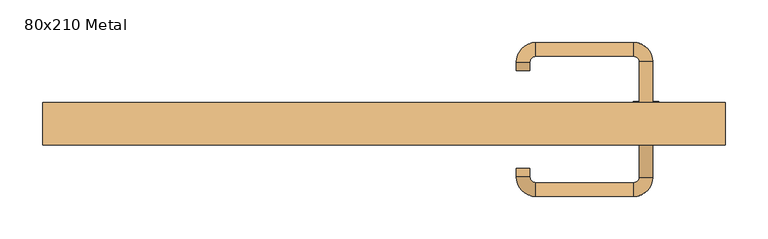
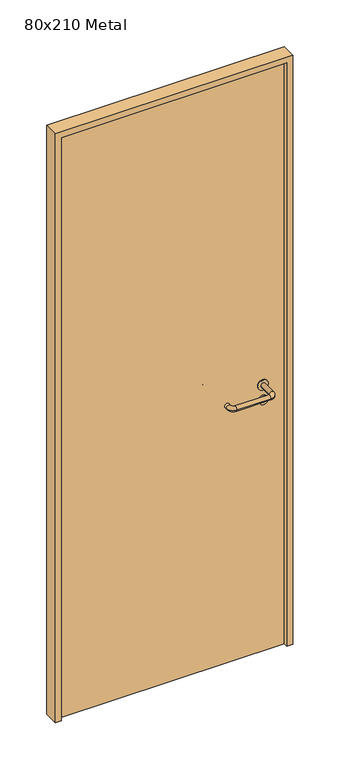
"""IFC4 building model written with IfcOpenShell, lengths in millimetres: door geometry, 80x210 Metal."""

from ifc_helpers import new_model, si_unit, point, frame, frame_2d, origin, origin_with_axes, place, context, project, spatial, polyline, circle_curve, ellipse_curve, trimmed, segment, composite_curve, outline, extrude, source, transform, mapped, element, save
from ifc_brep_helpers import plane_surface, cylinder_surface, revolved_surface, advanced_brep


def door_80x210_metal_c9906de1(model_context):
    return source(origin(), model_context, "Body", "SolidModel", [
        extrude(outline(composite_curve([segment(trimmed(circle_curve(frame_2d((897.3605726, 307.0)), 15.0), [point((897.3605726, 322.0))], [point((897.3605726, 292.0))], False, "CARTESIAN"), True, "CONTINUOUS"), segment(trimmed(circle_curve(frame_2d((897.3605726, 307.0)), 15.0), [point((897.3605726, 292.0))], [point((897.3605726, 322.0))], False, "CARTESIAN"), True, "CONTINUOUS")], self_intersect=False), holes=[composite_curve([segment(trimmed(circle_curve(frame_2d((892.5833211, 306.9398032)), 2.0), [point((892.5833211, 308.9398032))], [point((892.5833211, 304.9398032))], True, "CARTESIAN"), True, "CONTINUOUS"), segment(polyline([(892.5833211, 304.9398032), (902.5833211, 304.9398032)]), True, "CONTINUOUS"), segment(trimmed(circle_curve(frame_2d((902.5833211, 306.9398032)), 2.0), [point((902.5833211, 304.9398032))], [point((902.5833211, 308.9398032))], True, "CARTESIAN"), True, "CONTINUOUS"), segment(polyline([(902.5833211, 308.9398032), (892.5833211, 308.9398032)]), True, "CONTINUOUS")], self_intersect=False)]), frame((0.0, 8.65, 0.0), z_axis=(0.0, 1.0, 0.0), x_axis=(0.0, 0.0, 1.0)), (0.0, 0.0, 1.0), 6.35),
        extrude(outline(composite_curve([segment(trimmed(circle_curve(frame_2d((950.0, 307.0)), 17.526), [point((950.0, 324.526))], [point((950.0, 289.474))], False, "CARTESIAN"), True, "CONTINUOUS"), segment(trimmed(circle_curve(frame_2d((950.0, 307.0)), 17.526), [point((950.0, 289.474))], [point((950.0, 324.526))], False, "CARTESIAN"), True, "CONTINUOUS")], self_intersect=False)), frame((0.0, 11.825, 0.0), z_axis=(0.0, 1.0, 0.0), x_axis=(0.0, 0.0, 1.0)), (0.0, 0.0, 1.0), 3.175),
        advanced_brep(
        [(315.0, 15.0, 950.0), (299.0, 15.0, 950.0), (299.0, -38.0, 950.0), (315.0, -38.0, 950.0), (292.8578644, -44.1421356, 950.0), (292.8578644, -60.1421356, 950.0), (177.8578644, -44.1421356, 950.0), (177.8578644, -60.1421356, 950.0), (171.008622, -37.2928932, 950.0), (155.008622, -37.2928932, 950.0), (155.008622, -27.2928932, 950.0), (171.008622, -27.2928932, 950.0)],
        [
            (0, 1, circle_curve(frame((307.0, 15.0, 950.0), z_axis=(0.0, 1.0, 0.0), x_axis=(-1.0, 0.0, 0.0)), 8.0)),
            (1, 0, circle_curve(frame((307.0, 15.0, 950.0), z_axis=(0.0, 1.0, 0.0), x_axis=(-1.0, 0.0, 0.0)), 8.0)),
            (1, 2),
            (2, 3, circle_curve(frame((307.0, -38.0, 950.0), z_axis=(0.0, 1.0, 0.0), x_axis=(-1.0, 0.0, 0.0)), 8.0)),
            (3, 0),
            (3, 2, circle_curve(frame((307.0, -38.0, 950.0), z_axis=(0.0, 1.0, 0.0), x_axis=(-1.0, 0.0, 0.0)), 8.0)),
            (4, 5, circle_curve(frame((292.8578644, -52.1421356, 950.0), z_axis=(1.0, 0.0, 0.0), x_axis=(0.0, 1.0, 0.0)), 8.0)),
            (5, 3, circle_curve(frame((292.8578644, -38.0, 950.0), z_axis=(0.0, 0.0, 1.0), x_axis=(1.0, 0.0, 0.0)), 22.1421356)),
            (2, 4, circle_curve(frame((292.8578644, -38.0, 950.0), z_axis=(0.0, 0.0, -1.0), x_axis=(1.0, 0.0, 0.0)), 6.1421356)),
            (5, 4, circle_curve(frame((292.8578644, -52.1421356, 950.0), z_axis=(1.0, 0.0, 0.0), x_axis=(0.0, 1.0, 0.0)), 8.0)),
            (4, 6),
            (6, 7, circle_curve(frame((177.8578644, -52.1421356, 950.0), z_axis=(1.0, 0.0, 0.0), x_axis=(0.0, 1.0, 0.0)), 8.0)),
            (7, 5),
            (7, 6, circle_curve(frame((177.8578644, -52.1421356, 950.0), z_axis=(1.0, 0.0, 0.0), x_axis=(0.0, 1.0, 0.0)), 8.0)),
            (8, 9, circle_curve(frame((163.008622, -37.2928932, 950.0), z_axis=(0.0, -1.0, 0.0), x_axis=(1.0, 0.0, 0.0)), 8.0)),
            (9, 7, circle_curve(frame((177.8578644, -37.2928932, 950.0), z_axis=(0.0, 0.0, 1.0), x_axis=(0.0, -1.0, 0.0)), 22.8492424)),
            (6, 8, circle_curve(frame((177.8578644, -37.2928932, 950.0), z_axis=(0.0, 0.0, -1.0), x_axis=(0.0, -1.0, 0.0)), 6.8492424)),
            (9, 8, circle_curve(frame((163.008622, -37.2928932, 950.0), z_axis=(0.0, -1.0, 0.0), x_axis=(1.0, 0.0, 0.0)), 8.0)),
            (10, 11, circle_curve(frame((163.008622, -27.2928932, 950.0), z_axis=(0.0, 1.0, 0.0), x_axis=(1.0, 0.0, 0.0)), 8.0)),
            (11, 10, circle_curve(frame((163.008622, -27.2928932, 950.0), z_axis=(0.0, 1.0, 0.0), x_axis=(1.0, 0.0, 0.0)), 8.0)),
            (8, 11),
            (10, 9),
        ],
        [
            plane_surface(frame((307.0, 15.0, 0.0), z_axis=(0.0, 1.0, 0.0), x_axis=(0.0, 0.0, 1.0))),
            cylinder_surface(frame((307.0, 15.0, 950.0), z_axis=(0.0, 1.0, 0.0), x_axis=(-1.0, 0.0, 0.0)), 8.0),
            revolved_surface(trimmed(ellipse_curve(frame((307.0, -38.0, 950.0), z_axis=(0.0, -1.0, 0.0), x_axis=(-1.0, 0.0, 0.0)), 8.0, 8.0), [point((315.0, -38.0, 950.0))], [point((299.0, -38.0, 950.0))], True, "CARTESIAN"), (292.8578644, -38.0, 0.0), (0.0, 0.0, 1.0)),
            revolved_surface(trimmed(ellipse_curve(frame((307.0, -38.0, 950.0), z_axis=(0.0, -1.0, 0.0), x_axis=(-1.0, 0.0, 0.0)), 8.0, 8.0), [point((299.0, -38.0, 950.0))], [point((315.0, -38.0, 950.0))], True, "CARTESIAN"), (292.8578644, -38.0, 0.0), (0.0, 0.0, 1.0)),
            cylinder_surface(frame((292.8578644, -52.1421356, 950.0), z_axis=(1.0, 0.0, 0.0), x_axis=(0.0, 1.0, 0.0)), 8.0),
            revolved_surface(trimmed(ellipse_curve(frame((177.8578644, -52.1421356, 950.0), z_axis=(-1.0, 0.0, 0.0), x_axis=(0.0, 1.0, 0.0)), 8.0, 8.0), [point((177.8578644, -60.1421356, 950.0))], [point((177.8578644, -44.1421356, 950.0))], True, "CARTESIAN"), (177.8578644, -37.2928932, 0.0), (0.0, 0.0, 1.0)),
            revolved_surface(trimmed(ellipse_curve(frame((177.8578644, -52.1421356, 950.0), z_axis=(-1.0, 0.0, 0.0), x_axis=(0.0, 1.0, 0.0)), 8.0, 8.0), [point((177.8578644, -44.1421356, 950.0))], [point((177.8578644, -60.1421356, 950.0))], True, "CARTESIAN"), (177.8578644, -37.2928932, 0.0), (0.0, 0.0, 1.0)),
            plane_surface(frame((163.008622, -27.2928932, 0.0), z_axis=(0.0, 1.0, 0.0), x_axis=(0.0, 0.0, 1.0))),
            cylinder_surface(frame((163.008622, -37.2928932, 950.0), z_axis=(0.0, -1.0, 0.0), x_axis=(1.0, 0.0, 0.0)), 8.0),
        ],
        [
            (0, [[1, 2]]),
            (1, [[3, 4, 5, -2]]),
            (1, [[-5, 6, -3, -1]]),
            (2, [[7, 8, -4, 9]]),
            (3, [[10, -9, -6, -8]]),
            (4, [[11, 12, 13, -7]]),
            (4, [[-13, 14, -11, -10]]),
            (5, [[15, 16, -12, 17]]),
            (6, [[18, -17, -14, -16]]),
            (7, [[19, 20]]),
            (8, [[21, -19, 22, -15]]),
            (8, [[-22, -20, -21, -18]]),
        ],
    ),
        extrude(outline(composite_curve([segment(trimmed(circle_curve(frame_2d((0.0, -15.0)), 15.0), [point((0.0, -30.0))], [point((0.0, 0.0))], False, "CARTESIAN"), True, "CONTINUOUS"), segment(trimmed(circle_curve(frame_2d((0.0, -15.0)), 15.0), [point((0.0, 0.0))], [point((0.0, -30.0))], False, "CARTESIAN"), True, "CONTINUOUS")], self_intersect=False), holes=[composite_curve([segment(trimmed(circle_curve(frame_2d((4.7772515, -14.9398032)), 2.0), [point((4.7772515, -16.9398032))], [point((4.7772515, -12.9398032))], True, "CARTESIAN"), True, "CONTINUOUS"), segment(polyline([(4.7772515, -12.9398032), (-5.2227485, -12.9398032)]), True, "CONTINUOUS"), segment(trimmed(circle_curve(frame_2d((-5.2227485, -14.9398032)), 2.0), [point((-5.2227485, -12.9398032))], [point((-5.2227485, -16.9398032))], True, "CARTESIAN"), True, "CONTINUOUS"), segment(polyline([(-5.2227485, -16.9398032), (4.7772515, -16.9398032)]), True, "CONTINUOUS")], self_intersect=False)]), frame((292.0, 45.0, 897.3605726), z_axis=(1.8870575173328306e-12, 1.0, 0.0), x_axis=(0.0, 0.0, -1.0)), (0.0, 0.0, 1.0), 6.35),
        extrude(outline(composite_curve([segment(trimmed(circle_curve(frame_2d((0.0, -17.526)), 17.526), [point((0.0, -35.052))], [point((0.0, 0.0))], False, "CARTESIAN"), True, "CONTINUOUS"), segment(trimmed(circle_curve(frame_2d((0.0, -17.526)), 17.526), [point((0.0, 0.0))], [point((0.0, -35.052))], False, "CARTESIAN"), True, "CONTINUOUS")], self_intersect=False)), frame((289.474, 45.0, 950.0), z_axis=(1.8870575173328306e-12, 1.0, 0.0), x_axis=(0.0, 0.0, -1.0)), (0.0, 0.0, 1.0), 3.175),
        advanced_brep(
        [(315.0, 45.0, 950.0), (299.0, 45.0, 950.0), (315.0, 98.0, 950.0), (299.0, 98.0, 950.0), (292.8578644, 104.1421356, 950.0), (292.8578644, 120.1421356, 950.0), (177.8578644, 120.1421356, 950.0), (177.8578644, 104.1421356, 950.0), (171.008622, 97.2928932, 950.0), (155.008622, 97.2928932, 950.0), (155.008622, 87.2928932, 950.0), (171.008622, 87.2928932, 950.0)],
        [
            (0, 1, circle_curve(frame((307.0, 45.0, 950.0), z_axis=(-1.888672253512351e-12, -1.0, 0.0), x_axis=(-1.0, 1.888672253512351e-12, 0.0)), 8.0)),
            (1, 0, circle_curve(frame((307.0, 45.0, 950.0), z_axis=(-1.888672253512351e-12, -1.0, 0.0), x_axis=(-1.0, 1.888672253512351e-12, 0.0)), 8.0)),
            (0, 2),
            (2, 3, circle_curve(frame((307.0, 98.0, 950.0), z_axis=(-1.888672253512351e-12, -1.0, 0.0), x_axis=(-1.0, 1.888672253512351e-12, 0.0)), 8.0)),
            (3, 1),
            (3, 2, circle_curve(frame((307.0, 98.0, 950.0), z_axis=(-1.888672253512351e-12, -1.0, 0.0), x_axis=(-1.0, 1.888672253512351e-12, 0.0)), 8.0)),
            (4, 3, circle_curve(frame((292.8578644, 98.0, 950.0), z_axis=(0.0, 0.0, -1.0), x_axis=(1.0, -1.880717803715015e-12, 0.0)), 6.1421356)),
            (2, 5, circle_curve(frame((292.8578644, 98.0, 950.0), z_axis=(0.0, 0.0, 1.0), x_axis=(1.0, -1.880717803715015e-12, 0.0)), 22.1421356)),
            (5, 4, circle_curve(frame((292.8578644, 112.1421356, 950.0), z_axis=(1.0, -1.913702061528922e-12, 0.0), x_axis=(-1.913702061528922e-12, -1.0, 0.0)), 8.0)),
            (4, 5, circle_curve(frame((292.8578644, 112.1421356, 950.0), z_axis=(1.0, -1.913702061528922e-12, 0.0), x_axis=(-1.913702061528922e-12, -1.0, 0.0)), 8.0)),
            (5, 6),
            (6, 7, circle_curve(frame((177.8578644, 112.1421356, 950.0), z_axis=(1.0, -1.913719828541269e-12, 0.0), x_axis=(-1.913719828541269e-12, -1.0, 0.0)), 8.0)),
            (7, 4),
            (7, 6, circle_curve(frame((177.8578644, 112.1421356, 950.0), z_axis=(1.0, -1.913719828541269e-12, 0.0), x_axis=(-1.913719828541269e-12, -1.0, 0.0)), 8.0)),
            (8, 7, circle_curve(frame((177.8578644, 97.2928932, 950.0), z_axis=(0.0, 0.0, -1.0), x_axis=(1.9120873253494017e-12, 1.0, 0.0)), 6.8492424)),
            (6, 9, circle_curve(frame((177.8578644, 97.2928932, 950.0), z_axis=(0.0, 0.0, 1.0), x_axis=(1.9120873253494017e-12, 1.0, 0.0)), 22.8492424)),
            (9, 8, circle_curve(frame((163.008622, 97.2928932, 950.0), z_axis=(1.890448610351751e-12, 1.0, 0.0), x_axis=(1.0, -1.890448610351751e-12, 0.0)), 8.0)),
            (8, 9, circle_curve(frame((163.008622, 97.2928932, 950.0), z_axis=(1.8888942981172756e-12, 1.0, 0.0), x_axis=(1.0, -1.8888942981172756e-12, 0.0)), 8.0)),
            (10, 11, circle_curve(frame((163.008622, 87.2928932, 950.0), z_axis=(-1.8903642334018795e-12, -1.0, 0.0), x_axis=(1.0, -1.8903642334018795e-12, 0.0)), 8.0)),
            (11, 10, circle_curve(frame((163.008622, 87.2928932, 950.0), z_axis=(-1.8903642334018795e-12, -1.0, 0.0), x_axis=(1.0, -1.8903642334018795e-12, 0.0)), 8.0)),
            (9, 10),
            (11, 8),
        ],
        [
            plane_surface(frame((307.0, 45.0, 0.0), z_axis=(-1.8870575173328306e-12, -1.0, 0.0), x_axis=(0.0, 0.0, 1.0))),
            cylinder_surface(frame((307.0, 45.0, 950.0), z_axis=(-1.888672253512351e-12, -1.0, 0.0), x_axis=(-1.0, 1.888672253512351e-12, 0.0)), 8.0),
            revolved_surface(trimmed(ellipse_curve(frame((307.0, 98.0, 950.0), z_axis=(-1.8823325398945356e-12, -1.0, 0.0), x_axis=(-1.0, 1.8823325398945356e-12, 0.0)), 8.0, 8.0), [point((315.0, 98.0, 950.0))], [point((299.0, 98.0, 950.0))], True, "CARTESIAN"), (292.8578644, 98.0, 0.0), (0.0, 0.0, 1.0)),
            revolved_surface(trimmed(ellipse_curve(frame((307.0, 98.0, 950.0), z_axis=(-1.8823325398945356e-12, -1.0, 0.0), x_axis=(-1.0, 1.8823325398945356e-12, 0.0)), 8.0, 8.0), [point((299.0, 98.0, 950.0))], [point((315.0, 98.0, 950.0))], True, "CARTESIAN"), (292.8578644, 98.0, 0.0), (0.0, 0.0, 1.0)),
            cylinder_surface(frame((292.8578644, 112.1421356, 950.0), z_axis=(1.0, -1.913719828541269e-12, 0.0), x_axis=(-1.913719828541269e-12, -1.0, 0.0)), 8.0),
            revolved_surface(trimmed(ellipse_curve(frame((177.8578644, 112.1421356, 950.0), z_axis=(1.0, -1.913702061528922e-12, 0.0), x_axis=(-1.913702061528922e-12, -1.0, 0.0)), 8.0, 8.0), [point((177.8578644, 120.1421356, 950.0))], [point((177.8578644, 104.1421356, 950.0))], True, "CARTESIAN"), (177.8578644, 97.2928932, 0.0), (0.0, 0.0, 1.0)),
            revolved_surface(trimmed(ellipse_curve(frame((177.8578644, 112.1421356, 950.0), z_axis=(1.0, -1.913702061528922e-12, 0.0), x_axis=(-1.913702061528922e-12, -1.0, 0.0)), 8.0, 8.0), [point((177.8578644, 104.1421356, 950.0))], [point((177.8578644, 120.1421356, 950.0))], True, "CARTESIAN"), (177.8578644, 97.2928932, 0.0), (0.0, 0.0, 1.0)),
            plane_surface(frame((163.008622, 87.2928932, 0.0), z_axis=(-1.8887494972223595e-12, -1.0, 0.0), x_axis=(0.0, 0.0, 1.0))),
            cylinder_surface(frame((163.008622, 97.2928932, 950.0), z_axis=(1.8903642334018795e-12, 1.0, 0.0), x_axis=(1.0, -1.8903642334018795e-12, 0.0)), 8.0),
        ],
        [
            (0, [[1, 2]]),
            (1, [[-1, 3, 4, 5]]),
            (1, [[-2, -5, 6, -3]]),
            (2, [[7, -4, 8, 9]]),
            (3, [[-8, -6, -7, 10]]),
            (4, [[-9, 11, 12, 13]]),
            (4, [[-10, -13, 14, -11]]),
            (5, [[15, -12, 16, 17]]),
            (6, [[-16, -14, -15, 18]]),
            (7, [[19, 20]]),
            (8, [[-17, 21, -20, 22]]),
            (8, [[-18, -22, -19, -21]]),
        ],
    ),
        extrude(outline(polyline([(2080.0, 380.0), (0.0, 380.0), (0.0, 400.0), (2100.0, 400.0), (2100.0, -400.0), (0.0, -400.0), (0.0, -380.0), (2080.0, -380.0), (2080.0, 380.0)])), frame((0.0, 0.0, 0.0), z_axis=(0.0, 1.0, 0.0), x_axis=(0.0, 0.0, 1.0)), (0.0, 0.0, 1.0), 50.0),
        extrude(outline(polyline([(-380.0, 45.0), (380.0, 45.0), (380.0, 15.0), (-380.0, 15.0), (-380.0, 45.0)])), origin_with_axes(), (0.0, 0.0, 1.0), 2080.0),
    ])


if __name__ == "__main__":
    model = new_model("IFC4")
    model_context = context("Model", 3, world=origin())
    ifc_project = project(units=[si_unit("LENGTHUNIT", "METRE", prefix="MILLI")], contexts=[model_context])
    site = spatial("IfcSite", under=ifc_project)
    building = spatial("IfcBuilding", under=site)
    placement = place(None, origin())
    door_80x210_metal_shape = door_80x210_metal_c9906de1(model_context)
    element("IfcDoor", 1, ObjectType="80x210 Metal", at=placement, inside=building, context=model_context, shape_type="MappedRepresentation", body=[
        mapped(door_80x210_metal_shape, transform((0.0, 0.0, 0.0), x_axis=(1.0, 0.0, 0.0), y_axis=(0.0, 1.0, 0.0), z_axis=(0.0, 0.0, 1.0))),
    ])
    save(model, "model.ifc")
